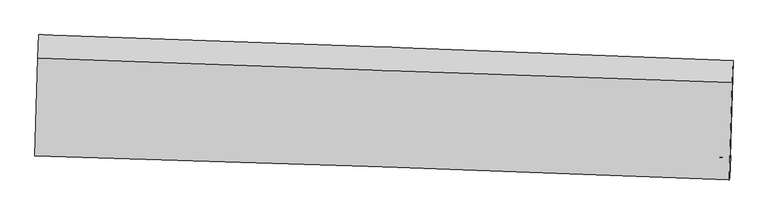
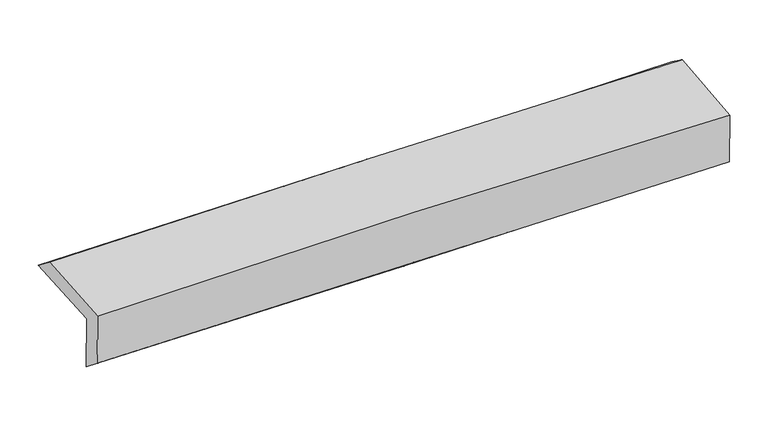
"""IFC4 building model written with IfcOpenShell, lengths in millimetres: proxy geometry."""

from ifc_helpers import new_model, si_unit, frame, origin, place, context, project, spatial, source, transform, mapped, element, save
from ifc_brep_helpers import plane_surface, spline_curve, spline_surface, advanced_brep


def generic_models_261039d2(model_context):
    return source(origin(), model_context, "Body", "AdvancedBrep", [
        advanced_brep(
        [(-2394.9097556, -1720.1189214, 1994.418624), (-2373.9642058, -1044.9493404, 2010.9787244), (2382.6997553, -1222.6138411, 2103.057211), (2362.2633372, -1885.1148283, 2084.5142792), (-2389.5927653, -1706.2297584, 1594.7724771), (2367.7111742, -1872.0208798, 1672.1312144), (-2396.0312608, -1863.4440671, 1718.7268117), (2361.5108273, -2026.2928394, 1785.7695778), (-2401.2346, -1877.0363481, 2109.8304911), (2356.3574431, -2039.7546265, 2173.1184326), (-2380.4234686, -1204.0916928, 2131.6894096), (2376.6424577, -1373.3283612, 2214.069208)],
        [
            (0, 1),
            (1, 2, spline_curve(3, [(-2373.9642058, -1044.9493404, 2010.9787244), (-1577.605726093, -1071.996405202, 2014.332896254), (-781.382876126, -1100.392759169, 2023.740412954), (804.169530646, -1159.636613207, 2054.533529081), (1593.501334257, -1190.461759715, 2075.818841323), (2382.6997553, -1222.6138411, 2103.057211)], [4, 2, 4], [0.0, 7.8427260617780385, 15.62021454328417])),
            (2, 3),
            (3, 0, spline_curve(3, [(2362.2633372, -1885.1148283, 2084.5142792), (1573.047572098, -1852.599040703, 2058.430393432), (783.664986295, -1822.638198034, 2037.888592717), (-802.056567615, -1767.596520667, 2007.763343855), (-1598.398346134, -1742.558728152, 1998.273259549), (-2394.9097556, -1720.1189214, 1994.418624)], [4, 2, 4], [0.0, 7.777488481506132, 15.62021454328417])),
            (4, 0),
            (3, 5),
            (5, 4, spline_curve(3, [(2367.7111742, -1872.0208798, 1672.1312144), (1578.475146926, -1838.990305248, 1649.019264988), (789.071575005, -1808.705278447, 1631.022200677), (-796.693582435, -1753.395318576, 1605.149787798), (-1593.057990058, -1728.416638523, 1597.360606063), (-2389.5927653, -1706.2297584, 1594.7724771)], [4, 2, 4], [0.0, 7.7774368807489695, 15.620110908942648])),
            (6, 4),
            (5, 7),
            (7, 6, spline_curve(3, [(2361.5108273, -2026.2928394, 1785.7695778), (1572.121306891, -1994.839540199, 1770.914327451), (782.620987158, -1965.58959676, 1757.91535331), (-803.224508921, -1911.269554036, 1735.536493133), (-1599.571552011, -1886.236573661, 1726.187878569), (-2396.0312608, -1863.4440671, 1718.7268117)], [4, 2, 4], [0.0, 7.777241879971375, 15.619719271720763])),
            (8, 6),
            (7, 9),
            (9, 8, spline_curve(3, [(2356.3574431, -2039.7546265, 2173.1184326), (1566.719268968, -2008.95086606, 2176.952977593), (777.089975192, -1980.037832222, 2173.648223739), (-808.774188922, -1925.766554039, 2152.672514542), (-1605.008909305, -1900.440161808, 2134.881287569), (-2401.2346, -1877.0363481, 2109.8304911)], [4, 2, 4], [0.0, 7.777159317387903, 15.619553454018796])),
            (10, 8),
            (9, 11),
            (11, 10, spline_curve(3, [(2376.6424577, -1373.3283612, 2214.069208), (1587.040849194, -1345.635049605, 2208.163972219), (797.473392388, -1317.745063999, 2198.391262921), (-788.215825257, -1261.336154478, 2170.996482811), (-1584.337010375, -1232.813917173, 2153.309259618), (-2380.4234686, -1204.0916928, 2131.6894096)], [4, 2, 4], [0.0, 7.777256392236583, 15.619748417980073])),
            (1, 10),
            (11, 2),
        ],
        [
            spline_surface(3, 3, [[(-2394.9097556, -1720.1189214, 1994.418624), (-1598.398346126, -1742.558728041, 1998.273259434), (-802.056567637, -1767.596520765, 2007.763343774), (783.664986316, -1822.638197936, 2037.888592797), (1573.04757208, -1852.599040805, 2058.430393532), (2362.2633372, -1885.1148283, 2084.5142792)], [(-2387.92790566, -1495.062394398, 1999.938657458), (-1591.467472807, -1519.037953789, 2003.626471694), (-795.165337106, -1545.19526684, 2013.08903348), (790.499834421, -1601.637669711, 2043.436904903), (1579.865492776, -1631.886613784, 2064.226542794), (2369.075476551, -1664.281165892, 2090.695256465)], [(-2380.94605574, -1270.005867402, 2005.458690942), (-1584.536599509, -1295.517179542, 2008.979683982), (-788.274106608, -1322.794012977, 2018.4147232), (797.334682493, -1380.637141548, 2048.985217023), (1586.68341352, -1411.174186787, 2070.022692062), (2375.887615949, -1443.447503508, 2096.876233735)], [(-2373.9642058, -1044.9493404, 2010.9787244), (-1577.605726191, -1071.99640529, 2014.332896242), (-781.382876077, -1100.392759052, 2023.740412906), (804.169530598, -1159.636613322, 2054.533529128), (1593.501334216, -1190.461759766, 2075.818841324), (2382.6997553, -1222.6138411, 2103.057211)]], [4, 4], [4, 2, 4], [0.0, 2.183854048247111], [0.0, 7.8427260617780385, 15.62021454328417]),
            spline_surface(3, 3, [[(-2389.5927653, -1706.2297584, 1594.7724771), (-1593.057990105, -1728.416638418, 1597.360606133), (-796.693582369, -1753.395318701, 1605.149787751), (789.07157494, -1808.705278323, 1631.022200724), (1578.475147041, -1838.990305167, 1649.019264866), (2367.7111742, -1872.0208798, 1672.1312144)], [(-2391.365095412, -1710.859479382, 1727.987859404), (-1594.838108791, -1733.130668275, 1730.998157237), (-798.48124413, -1758.129052751, 1739.354306418), (787.269378727, -1813.349584889, 1766.644331408), (1576.665955384, -1843.526550379, 1785.489641086), (2365.89522853, -1876.385529299, 1809.592235997)], [(-2393.137425488, -1715.489200418, 1861.203241696), (-1596.61822744, -1737.844698184, 1864.63570833), (-800.268905876, -1762.862786715, 1873.558825106), (785.467182529, -1817.99389137, 1902.266462113), (1574.856763737, -1848.062795593, 1921.960017313), (2364.07928287, -1880.750178801, 1947.053257603)], [(-2394.9097556, -1720.1189214, 1994.418624), (-1598.398346126, -1742.558728041, 1998.273259434), (-802.056567637, -1767.596520765, 2007.763343774), (783.664986316, -1822.638197936, 2037.888592797), (1573.04757208, -1852.599040805, 2058.430393532), (2362.2633372, -1885.1148283, 2084.5142792)]], [4, 4], [4, 2, 4], [0.0, 1.3287482366189125], [0.0, 7.842674028193678, 15.620110908942648]),
            spline_surface(3, 3, [[(-2396.0312608, -1863.4440671, 1718.7268117), (-1599.571552067, -1886.236573552, 1726.187878439), (-803.224508937, -1911.269554095, 1735.53649313), (782.620987174, -1965.589596702, 1757.915353312), (1572.121306799, -1994.839540291, 1770.91432736), (2361.5108273, -2026.2928394, 1785.7695778)], [(-2393.885095638, -1811.039297543, 1677.408700153), (-1597.400364751, -1833.629928517, 1683.245454323), (-801.047533405, -1858.644808937, 1692.074258027), (784.771183105, -1913.294823882, 1715.617635806), (1574.239253567, -1942.889795279, 1730.282639871), (2363.577609621, -1974.868852896, 1747.890123343)], [(-2391.738930462, -1758.634527957, 1636.090588647), (-1595.229177421, -1781.023283453, 1640.303030248), (-798.870557901, -1806.020063859, 1648.612022854), (786.921379009, -1861.000051143, 1673.31991823), (1576.357200273, -1890.940050179, 1689.650952355), (2365.644391879, -1923.444866304, 1710.010668857)], [(-2389.5927653, -1706.2297584, 1594.7724771), (-1593.057990105, -1728.416638418, 1597.360606133), (-796.693582369, -1753.395318701, 1605.149787751), (789.07157494, -1808.705278323, 1631.022200724), (1578.475147041, -1838.990305167, 1649.019264866), (2367.7111742, -1872.0208798, 1672.1312144)]], [4, 4], [4, 2, 4], [0.0, 0.6672586712557949], [0.0, 7.842477391749388, 15.619719271720763]),
            spline_surface(3, 3, [[(-2401.2346, -1877.0363481, 2109.8304911), (-1605.008909346, -1900.440161895, 2134.881287685), (-808.774188852, -1925.766554136, 2152.672514493), (777.089975123, -1980.037832125, 2173.648223787), (1566.719268979, -2008.950866026, 2176.952977499), (2356.3574431, -2039.7546265, 2173.1184326)], [(-2399.500153582, -1872.505587765, 1979.462597977), (-1603.196456902, -1895.705632445, 1998.65015128), (-806.924295547, -1920.93422082, 2013.627174041), (778.933645807, -1975.221753681, 2035.070600297), (1568.519948234, -2004.247090767, 2041.606760787), (2358.075237815, -2035.26736412, 2044.002147668)], [(-2397.765707218, -1867.974827435, 1849.094704823), (-1601.384004511, -1890.971103002, 1862.419014844), (-805.074402242, -1916.101887412, 1874.581833583), (780.777316491, -1970.405675146, 1896.492976802), (1570.320627544, -1999.54331555, 1906.260544072), (2359.793032585, -2030.78010178, 1914.885862732)], [(-2396.0312608, -1863.4440671, 1718.7268117), (-1599.571552067, -1886.236573552, 1726.187878439), (-803.224508937, -1911.269554095, 1735.53649313), (782.620987174, -1965.589596702, 1757.915353312), (1572.121306799, -1994.839540291, 1770.91432736), (2361.5108273, -2026.2928394, 1785.7695778)]], [4, 4], [4, 2, 4], [0.0, 1.3672181058092767], [0.0, 7.842394136630893, 15.619553454018796]),
            spline_surface(3, 3, [[(-2380.4234686, -1204.0916928, 2131.6894096), (-1584.33701025, -1232.813917157, 2153.309259514), (-788.215825152, -1261.336154466, 2170.996482885), (797.473392284, -1317.745064011, 2198.391262848), (1587.040849266, -1345.635049535, 2208.163972242), (2376.6424577, -1373.3283612, 2214.069208)], [(-2387.360512407, -1428.406577892, 2124.403103429), (-1591.22764329, -1455.355998728, 2147.166602233), (-795.06861304, -1482.812954332, 2164.888493398), (790.678919909, -1538.509320025, 2190.143583138), (1580.266989161, -1566.740321703, 2197.760307295), (2369.880786158, -1595.470449638, 2200.418949501)], [(-2394.297556193, -1652.721463008, 2117.116797271), (-1598.118276307, -1677.898080324, 2141.023944965), (-801.921400963, -1704.28975427, 2158.78050398), (783.884447499, -1759.273576112, 2181.895903497), (1573.493129084, -1787.845593858, 2187.356642445), (2363.119114642, -1817.612538062, 2186.768691099)], [(-2401.2346, -1877.0363481, 2109.8304911), (-1605.008909346, -1900.440161895, 2134.881287685), (-808.774188852, -1925.766554136, 2152.672514493), (777.089975123, -1980.037832125, 2173.648223787), (1566.719268979, -2008.950866026, 2176.952977499), (2356.3574431, -2039.7546265, 2173.1184326)]], [4, 4], [4, 2, 4], [0.0, 2.1785918606984747], [0.0, 7.84249202574349, 15.619748417980073]),
            spline_surface(3, 3, [[(-2373.9642058, -1044.9493404, 2010.9787244), (-1577.605726191, -1071.99640529, 2014.332896242), (-781.382876077, -1100.392759052, 2023.740412906), (804.169530598, -1159.636613322, 2054.533529128), (1593.501334216, -1190.461759766, 2075.818841324), (2382.6997553, -1222.6138411, 2103.057211)], [(-2376.117293401, -1097.99679122, 2051.215619479), (-1579.849487545, -1125.602242599, 2060.658350678), (-783.660525796, -1154.040557536, 2072.825769575), (801.937484467, -1212.339430231, 2102.486107044), (1591.347839257, -1242.186189678, 2119.93388499), (2380.680656125, -1272.852014456, 2140.061210027)], [(-2378.270380999, -1151.04424198, 2091.452514521), (-1582.093248896, -1179.208079848, 2106.983805078), (-785.938175434, -1207.688355982, 2121.911126216), (799.705438416, -1265.042247102, 2150.438684932), (1589.194344225, -1293.910619623, 2164.048928576), (2378.661556875, -1323.090187844, 2177.065208973)], [(-2380.4234686, -1204.0916928, 2131.6894096), (-1584.33701025, -1232.813917157, 2153.309259514), (-788.215825152, -1261.336154466, 2170.996482885), (797.473392284, -1317.745064011, 2198.391262848), (1587.040849266, -1345.635049535, 2208.163972242), (2376.6424577, -1373.3283612, 2214.069208)]], [4, 4], [4, 2, 4], [0.0, 0.7089107151108563], [0.0, 7.842380728400976, 15.61952674909167]),
            plane_surface(frame((2367.8641658, -1736.5208961, 2005.4433205), z_axis=(0.9994394140778656, -0.03117193065025032, 0.012213448621451104), x_axis=(0.013295042780373809, 0.03472961278624017, -0.9993083086981644))),
            plane_surface(frame((-2389.3593427, -1569.311688, 1926.7360896), z_axis=(-0.9994353249590716, 0.031304581361412495, -0.01220878412216919), x_axis=(-0.030998419118570007, -0.9992189189554899, -0.024508162182664068))),
        ],
        [
            (0, [[1, 2, 3, 4]]),
            (1, [[5, -4, 6, 7]]),
            (2, [[8, -7, 9, 10]]),
            (3, [[11, -10, 12, 13]]),
            (4, [[14, -13, 15, 16]]),
            (5, [[17, -16, 18, -2]]),
            (6, [[-12, -9, -6, -3, -18, -15]]),
            (7, [[-1, -5, -8, -11, -14, -17]]),
        ],
    ),
    ])


if __name__ == "__main__":
    model = new_model("IFC4")
    model_context = context("Model", 3, world=origin())
    ifc_project = project(units=[si_unit("LENGTHUNIT", "METRE", prefix="MILLI")], contexts=[model_context])
    site = spatial("IfcSite", under=ifc_project)
    building = spatial("IfcBuilding", under=site)
    placement = place(None, origin())
    generic_models_shape = generic_models_261039d2(model_context)
    element("IfcBuildingElementProxy", 1, Name="Generic Models", at=placement, inside=building, context=model_context, shape_type="MappedRepresentation", body=[
        mapped(generic_models_shape, transform((0.0, 0.0, 0.0), x_axis=(1.0, 0.0, 0.0), y_axis=(0.0, 1.0, 0.0), z_axis=(0.0, 0.0, 1.0))),
    ])
    save(model, "model.ifc")
